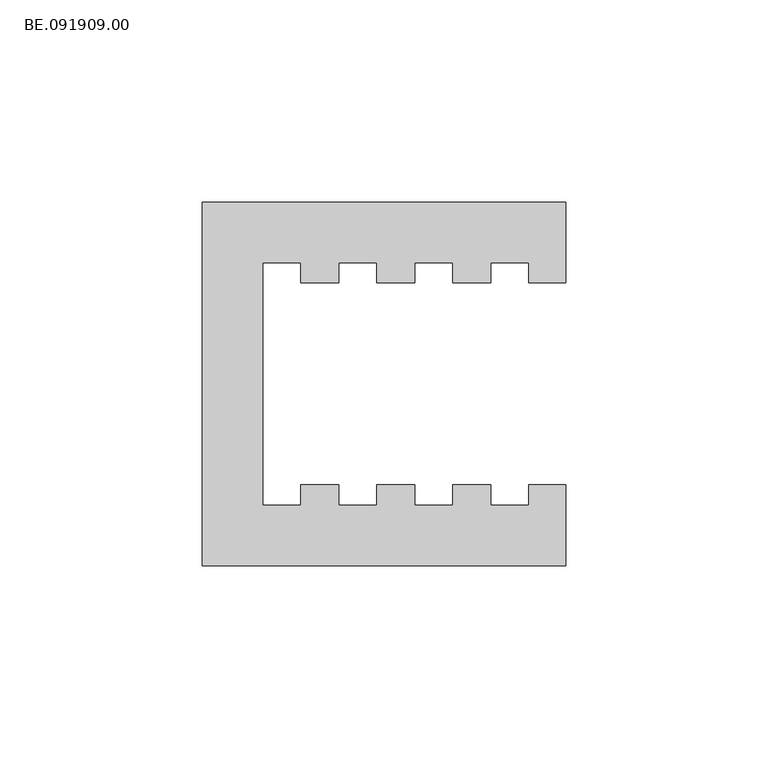
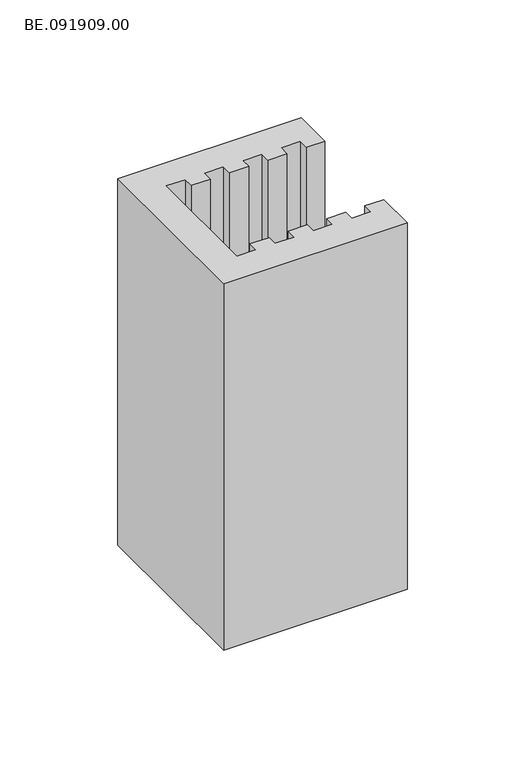
"""IFC4 building model written with IfcOpenShell, lengths in millimetres: proxy geometry, BE.091909.00."""

from ifc_helpers import new_model, si_unit, origin, origin_with_axes, place, context, project, spatial, polyline, outline, extrude, source, transform, mapped, element, save


def be_091909_00_ed1ad8a4(model_context):
    return source(origin(), model_context, "Body", "SweptSolid", [
        extrude(outline(polyline([(94.9852051, 24.9938232), (85.7950684, 24.9938232), (85.7950684, 29.9981689), (76.400293, 29.9981689), (76.400293, 24.9938232), (66.9869141, 24.9938232), (66.9869141, 29.9981689), (57.5921387, 29.9981689), (57.5921387, 24.9938232), (48.1973633, 24.9938232), (48.1973633, 29.9981689), (38.8025879, 29.9981689), (38.8025879, 24.9938232), (29.389209, 24.9938232), (29.389209, 29.9981689), (19.9944336, 29.9981689), (19.9944336, -29.9981689), (29.389209, -29.9981689), (29.389209, -24.9938232), (38.8025879, -24.9938232), (38.8025879, -29.9981689), (48.1973633, -29.9981689), (48.1973633, -24.9938232), (57.5921387, -24.9938232), (57.5921387, -29.9981689), (66.9869141, -29.9981689), (66.9869141, -24.9938232), (76.400293, -24.9938232), (76.400293, -29.9981689), (85.7950684, -29.9981689), (85.7950684, -24.9938232), (94.9852051, -24.9938232), (94.9852051, -44.9926025), (5.0, -44.9926025), (5.0, 44.9926025), (94.9852051, 44.9926025), (94.9852051, 24.9938232)])), origin_with_axes(), (0.0, 0.0, 1.0), 190.0),
    ])


if __name__ == "__main__":
    model = new_model("IFC4")
    model_context = context("Model", 3, world=origin())
    ifc_project = project(units=[si_unit("LENGTHUNIT", "METRE", prefix="MILLI")], contexts=[model_context])
    site = spatial("IfcSite", under=ifc_project)
    building = spatial("IfcBuilding", under=site)
    placement = place(None, origin())
    be_091909_00_shape = be_091909_00_ed1ad8a4(model_context)
    element("IfcBuildingElementProxy", 1, Name="BE.091909.00", ObjectType="BE.091909.00", at=placement, inside=building, context=model_context, shape_type="MappedRepresentation", body=[
        mapped(be_091909_00_shape, transform((0.0, 0.0, 0.0), x_axis=(1.0, 0.0, 0.0), y_axis=(0.0, 1.0, 0.0), z_axis=(0.0, 0.0, 1.0))),
    ])
    save(model, "model.ifc")
